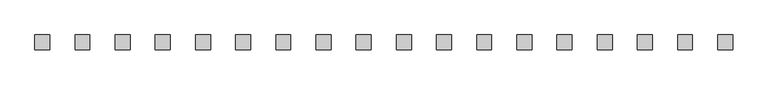
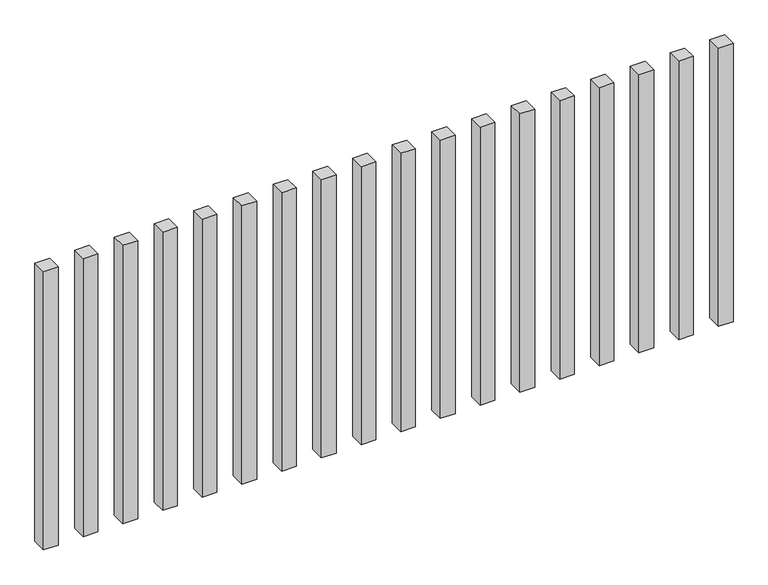
"""IFC4 building model written with IfcOpenShell, lengths in millimetres: railing geometry."""

from ifc_helpers import new_model, si_unit, origin, origin_with_axes, place, context, project, spatial, polyline, outline, extrude, source, transform, mapped, element, save


def railing_514118bb(model_context):
    return source(origin(), model_context, "Body", "SweptSolid", [
        extrude(outline(polyline([(-10707.5700772, -85454.0267127), (-10707.5700772, -85404.0267127), (-10657.5700772, -85404.0267127), (-10657.5700772, -85454.0267127), (-10707.5700772, -85454.0267127)])), origin_with_axes(), (0.0, 0.0, 1.0), 1000.0),
        extrude(outline(polyline([(-10842.5700772, -85454.0267127), (-10842.5700772, -85404.0267127), (-10792.5700772, -85404.0267127), (-10792.5700772, -85454.0267127), (-10842.5700772, -85454.0267127)])), origin_with_axes(), (0.0, 0.0, 1.0), 1000.0),
        extrude(outline(polyline([(-10977.5700772, -85454.0267127), (-10977.5700772, -85404.0267127), (-10927.5700772, -85404.0267127), (-10927.5700772, -85454.0267127), (-10977.5700772, -85454.0267127)])), origin_with_axes(), (0.0, 0.0, 1.0), 1000.0),
        extrude(outline(polyline([(-11112.5700772, -85454.0267127), (-11112.5700772, -85404.0267127), (-11062.5700772, -85404.0267127), (-11062.5700772, -85454.0267127), (-11112.5700772, -85454.0267127)])), origin_with_axes(), (0.0, 0.0, 1.0), 1000.0),
        extrude(outline(polyline([(-11247.5700772, -85454.0267127), (-11247.5700772, -85404.0267127), (-11197.5700772, -85404.0267127), (-11197.5700772, -85454.0267127), (-11247.5700772, -85454.0267127)])), origin_with_axes(), (0.0, 0.0, 1.0), 1000.0),
        extrude(outline(polyline([(-11382.5700772, -85454.0267127), (-11382.5700772, -85404.0267127), (-11332.5700772, -85404.0267127), (-11332.5700772, -85454.0267127), (-11382.5700772, -85454.0267127)])), origin_with_axes(), (0.0, 0.0, 1.0), 1000.0),
        extrude(outline(polyline([(-11517.5700772, -85454.0267127), (-11517.5700772, -85404.0267127), (-11467.5700772, -85404.0267127), (-11467.5700772, -85454.0267127), (-11517.5700772, -85454.0267127)])), origin_with_axes(), (0.0, 0.0, 1.0), 1000.0),
        extrude(outline(polyline([(-11652.5700772, -85454.0267127), (-11652.5700772, -85404.0267127), (-11602.5700772, -85404.0267127), (-11602.5700772, -85454.0267127), (-11652.5700772, -85454.0267127)])), origin_with_axes(), (0.0, 0.0, 1.0), 1000.0),
        extrude(outline(polyline([(-11787.5700772, -85454.0267127), (-11787.5700772, -85404.0267127), (-11737.5700772, -85404.0267127), (-11737.5700772, -85454.0267127), (-11787.5700772, -85454.0267127)])), origin_with_axes(), (0.0, 0.0, 1.0), 1000.0),
        extrude(outline(polyline([(-11922.5700772, -85454.0267127), (-11922.5700772, -85404.0267127), (-11872.5700772, -85404.0267127), (-11872.5700772, -85454.0267127), (-11922.5700772, -85454.0267127)])), origin_with_axes(), (0.0, 0.0, 1.0), 1000.0),
        extrude(outline(polyline([(-12057.5700772, -85454.0267127), (-12057.5700772, -85404.0267127), (-12007.5700772, -85404.0267127), (-12007.5700772, -85454.0267127), (-12057.5700772, -85454.0267127)])), origin_with_axes(), (0.0, 0.0, 1.0), 1000.0),
        extrude(outline(polyline([(-12192.5700772, -85454.0267127), (-12192.5700772, -85404.0267127), (-12142.5700772, -85404.0267127), (-12142.5700772, -85454.0267127), (-12192.5700772, -85454.0267127)])), origin_with_axes(), (0.0, 0.0, 1.0), 1000.0),
        extrude(outline(polyline([(-12327.5700772, -85454.0267127), (-12327.5700772, -85404.0267127), (-12277.5700772, -85404.0267127), (-12277.5700772, -85454.0267127), (-12327.5700772, -85454.0267127)])), origin_with_axes(), (0.0, 0.0, 1.0), 1000.0),
        extrude(outline(polyline([(-12462.5700772, -85454.0267127), (-12462.5700772, -85404.0267127), (-12412.5700772, -85404.0267127), (-12412.5700772, -85454.0267127), (-12462.5700772, -85454.0267127)])), origin_with_axes(), (0.0, 0.0, 1.0), 1000.0),
        extrude(outline(polyline([(-12597.5700772, -85454.0267127), (-12597.5700772, -85404.0267127), (-12547.5700772, -85404.0267127), (-12547.5700772, -85454.0267127), (-12597.5700772, -85454.0267127)])), origin_with_axes(), (0.0, 0.0, 1.0), 1000.0),
        extrude(outline(polyline([(-12732.5700772, -85454.0267127), (-12732.5700772, -85404.0267127), (-12682.5700772, -85404.0267127), (-12682.5700772, -85454.0267127), (-12732.5700772, -85454.0267127)])), origin_with_axes(), (0.0, 0.0, 1.0), 1000.0),
        extrude(outline(polyline([(-12867.5700772, -85454.0267127), (-12867.5700772, -85404.0267127), (-12817.5700772, -85404.0267127), (-12817.5700772, -85454.0267127), (-12867.5700772, -85454.0267127)])), origin_with_axes(), (0.0, 0.0, 1.0), 1000.0),
        extrude(outline(polyline([(-13002.5700772, -85454.0267127), (-13002.5700772, -85404.0267127), (-12952.5700772, -85404.0267127), (-12952.5700772, -85454.0267127), (-13002.5700772, -85454.0267127)])), origin_with_axes(), (0.0, 0.0, 1.0), 1000.0),
    ])


if __name__ == "__main__":
    model = new_model("IFC4")
    model_context = context("Model", 3, world=origin())
    ifc_project = project(units=[si_unit("LENGTHUNIT", "METRE", prefix="MILLI")], contexts=[model_context])
    site = spatial("IfcSite", under=ifc_project)
    building = spatial("IfcBuilding", under=site)
    placement = place(None, origin())
    railing_shape = railing_514118bb(model_context)
    element("IfcRailing", 1, at=placement, inside=building, context=model_context, shape_type="MappedRepresentation", body=[
        mapped(railing_shape, transform((0.0, 0.0, 0.0), x_axis=(1.0, 0.0, 0.0), y_axis=(0.0, 1.0, 0.0), z_axis=(0.0, 0.0, 1.0))),
    ])
    save(model, "model.ifc")
